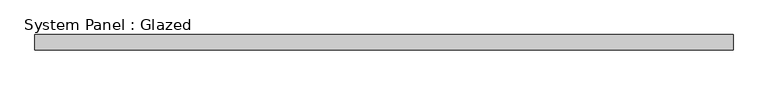
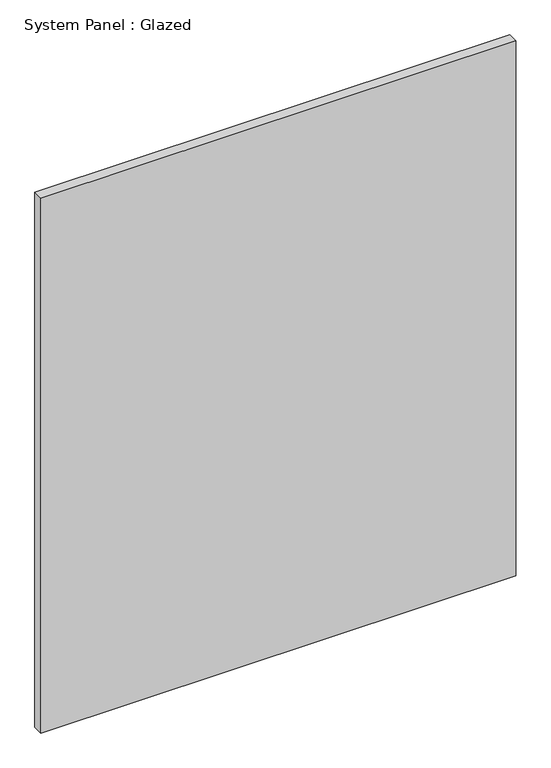
"""IFC4 building model written with IfcOpenShell, lengths in millimetres: plate geometry, System Panel : Glazed."""

from ifc_helpers import new_model, si_unit, origin, origin_with_axes, place, context, project, spatial, polyline, outline, extrude, source, transform, mapped, element, save


def system_panel_glazed_af4623b4(model_context):
    return source(origin(), model_context, "Body", "SweptSolid", [
        extrude(outline(polyline([(577.85, 19.05), (-577.85, 19.05), (-577.85, 44.45), (577.85, 44.45), (577.85, 19.05)])), origin_with_axes(), (0.0, 0.0, 1.0), 1377.018755),
    ])


if __name__ == "__main__":
    model = new_model("IFC4")
    model_context = context("Model", 3, world=origin())
    ifc_project = project(units=[si_unit("LENGTHUNIT", "METRE", prefix="MILLI")], contexts=[model_context])
    site = spatial("IfcSite", under=ifc_project)
    building = spatial("IfcBuilding", under=site)
    placement = place(None, origin())
    system_panel_glazed_shape = system_panel_glazed_af4623b4(model_context)
    element("IfcPlate", 1, ObjectType="System Panel : Glazed", at=placement, inside=building, context=model_context, shape_type="MappedRepresentation", body=[
        mapped(system_panel_glazed_shape, transform((0.0, 0.0, 0.0), x_axis=(1.0, 0.0, 0.0), y_axis=(0.0, 1.0, 0.0), z_axis=(0.0, 0.0, 1.0))),
    ])
    save(model, "model.ifc")
